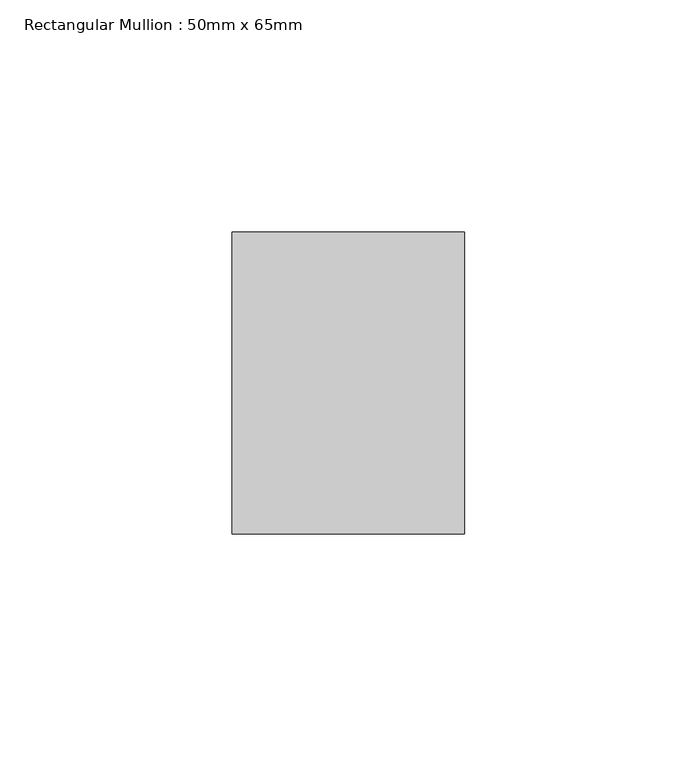
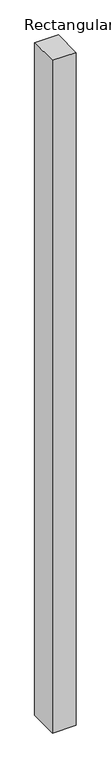
"""IFC4 building model written with IfcOpenShell, lengths in millimetres: member geometry, Rectangular Mullion : 50mm x 65mm."""

from ifc_helpers import new_model, si_unit, origin, place, context, project, spatial, faceted_brep, source, transform, mapped, element, save


def rectangular_mullion_50mm_x_65mm_131fdc92(model_context):
    return source(origin(), model_context, "Body", "Brep", [
        faceted_brep([(-25.0, 32.5, -0.0980891), (25.0, 32.5, -0.0980883), (25.0, 32.5, -1499.8164086), (-25.0, 32.5, -1499.8164074), (-25.0, -32.5, 0.0980883), (-25.0, -32.5, -1500.1835517), (25.0, -32.5, 0.0980891), (25.0, -32.5, -1500.1835529)], [[[0, 1, 2, 3]], [[4, 0, 3, 5]], [[6, 4, 5, 7]], [[1, 6, 7, 2]], [[1, 0, 4, 6]], [[2, 7, 5, 3]]]),
    ])


if __name__ == "__main__":
    model = new_model("IFC4")
    model_context = context("Model", 3, world=origin())
    ifc_project = project(units=[si_unit("LENGTHUNIT", "METRE", prefix="MILLI")], contexts=[model_context])
    site = spatial("IfcSite", under=ifc_project)
    building = spatial("IfcBuilding", under=site)
    placement = place(None, origin())
    rectangular_mullion_50mm_x_65mm_shape = rectangular_mullion_50mm_x_65mm_131fdc92(model_context)
    element("IfcMember", 1, ObjectType="Rectangular Mullion : 50mm x 65mm", at=placement, inside=building, context=model_context, shape_type="MappedRepresentation", body=[
        mapped(rectangular_mullion_50mm_x_65mm_shape, transform((0.0, 0.0, 0.0), x_axis=(1.0, 0.0, 0.0), y_axis=(0.0, 1.0, 0.0), z_axis=(0.0, 0.0, 1.0))),
    ])
    save(model, "model.ifc")
